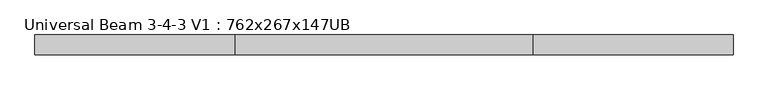
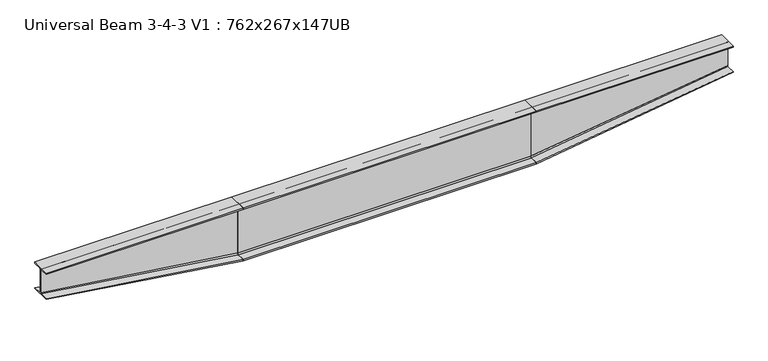
"""IFC4 building model written with IfcOpenShell, lengths in millimetres: beam geometry, Universal Beam 3-4-3 V1 : 762x267x147UB."""

from ifc_helpers import new_model, si_unit, point, frame, frame_2d, origin, place, context, project, spatial, polyline, circle_curve, trimmed, segment, composite_curve, outline, extrude, source, transform, mapped, element, save
from ifc_brep_helpers import plane_surface, extruded_surface, spline_surface, advanced_brep


def universal_beam_3_4_3_v1_762x267x147ub_689ef5f2(model_context):
    return source(origin(), model_context, "Body", "SolidModel", [
        extrude(outline(composite_curve([segment(polyline([(132.6, -363.5), (132.6, -381.0), (-132.6, -381.0), (-132.6, -363.5), (-22.9, -363.5)]), True, "CONTINUOUS"), segment(trimmed(circle_curve(frame_2d((-22.9, -347.0)), 16.5), [point((-22.9, -363.5))], [point((-6.4, -347.0))], True, "CARTESIAN"), True, "CONTINUOUS"), segment(polyline([(-6.4, -347.0), (-6.4, 347.0)]), True, "CONTINUOUS"), segment(trimmed(circle_curve(frame_2d((-22.9, 347.0)), 16.5), [point((-6.4, 347.0))], [point((-22.9, 363.5))], True, "CARTESIAN"), True, "CONTINUOUS"), segment(polyline([(-22.9, 363.5), (-132.6, 363.5), (-132.6, 381.0), (132.6, 381.0), (132.6, 363.5), (22.9, 363.5)]), True, "CONTINUOUS"), segment(trimmed(circle_curve(frame_2d((22.9, 347.0)), 16.5), [point((22.9, 363.5))], [point((6.4, 347.0))], True, "CARTESIAN"), True, "CONTINUOUS"), segment(polyline([(6.4, 347.0), (6.4, -347.0)]), True, "CONTINUOUS"), segment(trimmed(circle_curve(frame_2d((22.9, -347.0)), 16.5), [point((6.4, -347.0))], [point((22.9, -363.5))], True, "CARTESIAN"), True, "CONTINUOUS"), segment(polyline([(22.9, -363.5), (132.6, -363.5)]), True, "CONTINUOUS")], self_intersect=False)), frame((-1995.3899, 0.0, 0.0), z_axis=(1.0, 0.0, 0.0), x_axis=(0.0, 1.0, 0.0)), (0.0, 0.0, 1.0), 4000.0),
        advanced_brep(
        [(4693.6101, 132.6, 381.0), (4693.6101, -132.6, 381.0), (4693.6101, -132.6, 363.5), (4693.6101, -19.5, 363.5), (4693.6101, -3.0, 347.0), (4693.6101, -3.0, 19.1), (4693.6101, -11.9, 10.2), (4693.6101, -132.6, 10.2), (4693.6101, -132.6, 0.0), (4693.6101, 132.6, 0.0), (4693.6101, 132.6, 10.2), (4693.6101, 11.9, 10.2), (4693.6101, 3.0, 19.1), (4693.6101, 3.0, 347.0), (4693.6101, 19.5, 363.5), (4693.6101, 132.6, 363.5), (2004.6101, 132.6, 381.0), (2004.6101, 132.6, 363.5), (2004.6101, 22.9, 363.5), (2004.6101, 6.4, 347.0), (2004.6101, 6.4, -347.0), (2004.6101, 22.9, -363.5), (2004.6101, 132.6, -363.5), (2004.6101, 132.6, -381.0), (2004.6101, -132.6, -381.0), (2004.6101, -132.6, -363.5), (2004.6101, -22.9, -363.5), (2004.6101, -6.4, -347.0), (2004.6101, -6.4, 347.0), (2004.6101, -22.9, 363.5), (2004.6101, -132.6, 363.5), (2004.6101, -132.6, 381.0)],
        [
            (0, 1),
            (1, 2),
            (2, 3),
            (3, 4, circle_curve(frame((4693.6101, -19.5, 347.0), z_axis=(-1.0, 0.0, 0.0), x_axis=(0.0, 1.0, 0.0)), 16.5)),
            (4, 5),
            (5, 6, circle_curve(frame((4693.6101, -11.9, 19.1), z_axis=(-1.0, 0.0, 0.0), x_axis=(0.0, 1.0, 0.0)), 8.9)),
            (6, 7),
            (7, 8),
            (8, 9),
            (9, 10),
            (10, 11),
            (11, 12, circle_curve(frame((4693.6101, 11.9, 19.1), z_axis=(-1.0, 0.0, 0.0), x_axis=(0.0, 1.0, 0.0)), 8.9)),
            (12, 13),
            (13, 14, circle_curve(frame((4693.6101, 19.5, 347.0), z_axis=(-1.0, 0.0, 0.0), x_axis=(0.0, 1.0, 0.0)), 16.5)),
            (14, 15),
            (15, 0),
            (16, 17),
            (17, 18),
            (18, 19, circle_curve(frame((2004.6101, 22.9, 347.0), z_axis=(1.0, 0.0, 0.0), x_axis=(0.0, 1.0, 0.0)), 16.5)),
            (19, 20),
            (20, 21, circle_curve(frame((2004.6101, 22.9, -347.0), z_axis=(1.0, 0.0, 0.0), x_axis=(0.0, 1.0, 0.0)), 16.5)),
            (21, 22),
            (22, 23),
            (23, 24),
            (24, 25),
            (25, 26),
            (26, 27, circle_curve(frame((2004.6101, -22.9, -347.0), z_axis=(1.0, 0.0, 0.0), x_axis=(0.0, 1.0, 0.0)), 16.5)),
            (27, 28),
            (28, 29, circle_curve(frame((2004.6101, -22.9, 347.0), z_axis=(1.0, 0.0, 0.0), x_axis=(0.0, 1.0, 0.0)), 16.5)),
            (29, 30),
            (30, 31),
            (31, 16),
            (16, 0),
            (15, 17),
            (14, 18),
            (13, 19),
            (12, 20),
            (11, 21),
            (10, 22),
            (9, 23),
            (8, 24),
            (7, 25),
            (6, 26),
            (5, 27),
            (4, 28),
            (3, 29),
            (2, 30),
            (1, 31),
        ],
        [
            plane_surface(frame((4693.6101, 0.0, 186.8125), z_axis=(1.0, 0.0, 0.0), x_axis=(0.0, -1.0, 0.0))),
            plane_surface(frame((2004.6101, 0.0, 0.0), z_axis=(-1.0, 0.0, 0.0), x_axis=(0.0, -1.0, 0.0))),
            plane_surface(frame((2004.6101, 132.6, 372.25), z_axis=(0.0, 1.0, 0.0), x_axis=(0.0, 0.0, 1.0))),
            plane_surface(frame((2004.6101, 77.75, 363.5), z_axis=(0.0, 0.0, -1.0), x_axis=(0.0, 1.0, 0.0))),
            extruded_surface(trimmed(circle_curve(frame((2004.6101, 22.9, 347.0), z_axis=(-1.0, 0.0, 0.0), x_axis=(0.0, 1.0, 0.0)), 16.5), [point((2004.6101, 6.4, 347.0))], [point((2004.6101, 22.9, 363.5))], True, "CARTESIAN"), (2689.0, -3.3999999999999986, 0.0), 2689.0021494970956),
            plane_surface(frame((2004.6101, 6.4, 0.0), z_axis=(0.0012644095508288777, 0.9999992006339244, 0.0), x_axis=(0.0, 0.0, 1.0))),
            spline_surface(2, 1, [[(2004.6101, 22.9, -363.5), (4693.6101, 11.9, 10.2)], [(2004.6101, 6.399999999999999, -363.5), (4693.6101, 2.9999999999999982, 10.2)], [(2004.6101, 6.4, -347.0), (4693.6101, 3.0, 19.1)]], [3, 3], [2, 2], [0.0, 1.0], [0.0, 1.0], weights=[[1.0, 1.0], [0.7071067811865476, 0.7071067811865476], [1.0, 1.0]]),
            plane_surface(frame((2004.6101, 77.75, -363.5), z_axis=(-0.13765068387180815, 0.0, 0.9904808373863795), x_axis=(0.0, -1.0, 0.0))),
            plane_surface(frame((2004.6101, 132.6, -372.25), z_axis=(0.0, 1.0, 0.0), x_axis=(0.0, 0.0, 1.0))),
            plane_surface(frame((2004.6101, 0.0, -381.0), z_axis=(0.1402871833204853, 0.0, -0.9901108555086167), x_axis=(0.0, 1.0, 0.0))),
            plane_surface(frame((2004.6101, -132.6, -372.25), z_axis=(0.0, -1.0, 0.0), x_axis=(0.0, 0.0, -1.0))),
            plane_surface(frame((2004.6101, -77.75, -363.5), z_axis=(-0.13765068387180812, 0.0, 0.9904808373863795), x_axis=(0.0, -1.0, 0.0))),
            spline_surface(2, 1, [[(2004.6101, -6.4, -347.0), (4693.6101, -3.0, 19.1)], [(2004.6101, -6.399999999999999, -363.5), (4693.6101, -3.0, 10.200000000000001)], [(2004.6101, -22.9, -363.5), (4693.6101, -11.9, 10.2)]], [3, 3], [2, 2], [0.0, 1.0], [0.0, 1.0], weights=[[1.0, 1.0], [0.7071067811865476, 0.7071067811865476], [1.0, 1.0]]),
            plane_surface(frame((2004.6101, -6.4, 0.0), z_axis=(0.0012644095508113926, -0.9999992006339244, 0.0), x_axis=(0.0, 0.0, -1.0))),
            extruded_surface(trimmed(circle_curve(frame((2004.6101, -22.9, 347.0), z_axis=(-1.0, 0.0, 0.0), x_axis=(0.0, 1.0, 0.0)), 16.5), [point((2004.6101, -22.9, 363.5))], [point((2004.6101, -6.4, 347.0))], True, "CARTESIAN"), (2689.0, 3.3999999999999986, 0.0), 2689.0021494970956),
            plane_surface(frame((2004.6101, -77.75, 363.5), z_axis=(0.0, 0.0, -1.0), x_axis=(0.0, 1.0, 0.0))),
            plane_surface(frame((2004.6101, -132.6, 372.25), z_axis=(0.0, -1.0, 0.0), x_axis=(0.0, 0.0, -1.0))),
            plane_surface(frame((2004.6101, 0.0, 381.0), z_axis=(0.0, 0.0, 1.0), x_axis=(0.0, -1.0, 0.0))),
        ],
        [
            (0, [[1, 2, 3, 4, 5, 6, 7, 8, 9, 10, 11, 12, 13, 14, 15, 16]]),
            (1, [[17, 18, 19, 20, 21, 22, 23, 24, 25, 26, 27, 28, 29, 30, 31, 32]]),
            (2, [[-17, 33, -16, 34]]),
            (3, [[-18, -34, -15, 35]]),
            (4, [[-19, -35, -14, 36]]),
            (5, [[-20, -36, -13, 37]]),
            (6, [[-21, -37, -12, 38]]),
            (7, [[-22, -38, -11, 39]]),
            (8, [[-23, -39, -10, 40]]),
            (9, [[-24, -40, -9, 41]]),
            (10, [[-25, -41, -8, 42]]),
            (11, [[-26, -42, -7, 43]]),
            (12, [[-27, -43, -6, 44]]),
            (13, [[-28, -44, -5, 45]]),
            (14, [[-29, -45, -4, 46]]),
            (15, [[-30, -46, -3, 47]]),
            (16, [[-31, -47, -2, 48]]),
            (17, [[-32, -48, -1, -33]]),
        ],
    ),
        advanced_brep(
        [(-4684.3899, 132.6, 381.0), (-4684.3899, 132.6, 363.5), (-4684.3899, 19.5, 363.5), (-4684.3899, 3.0, 347.0), (-4684.3899, 3.0, 19.1), (-4684.3899, 11.9, 10.2), (-4684.3899, 132.6, 10.2), (-4684.3899, 132.6, 0.0), (-4684.3899, -132.6, 0.0), (-4684.3899, -132.6, 10.2), (-4684.3899, -11.9, 10.2), (-4684.3899, -3.0, 19.1), (-4684.3899, -3.0, 347.0), (-4684.3899, -19.5, 363.5), (-4684.3899, -132.6, 363.5), (-4684.3899, -132.6, 381.0), (-1995.3899, 132.6, 381.0), (-1995.3899, -132.6, 381.0), (-1995.3899, -132.6, 363.5), (-1995.3899, -22.9, 363.5), (-1995.3899, -6.4, 347.0), (-1995.3899, -6.4, -347.0), (-1995.3899, -22.9, -363.5), (-1995.3899, -132.6, -363.5), (-1995.3899, -132.6, -381.0), (-1995.3899, 132.6, -381.0), (-1995.3899, 132.6, -363.5), (-1995.3899, 22.9, -363.5), (-1995.3899, 6.4, -347.0), (-1995.3899, 6.4, 347.0), (-1995.3899, 22.9, 363.5), (-1995.3899, 132.6, 363.5)],
        [
            (0, 1),
            (1, 2),
            (2, 3, circle_curve(frame((-4684.3899, 19.5, 347.0), z_axis=(1.0, 0.0, 0.0), x_axis=(0.0, -1.0, 0.0)), 16.5)),
            (3, 4),
            (4, 5, circle_curve(frame((-4684.3899, 11.9, 19.1), z_axis=(1.0, 0.0, 0.0), x_axis=(0.0, -1.0, 0.0)), 8.9)),
            (5, 6),
            (6, 7),
            (7, 8),
            (8, 9),
            (9, 10),
            (10, 11, circle_curve(frame((-4684.3899, -11.9, 19.1), z_axis=(1.0, 0.0, 0.0), x_axis=(0.0, -1.0, 0.0)), 8.9)),
            (11, 12),
            (12, 13, circle_curve(frame((-4684.3899, -19.5, 347.0), z_axis=(1.0, 0.0, 0.0), x_axis=(0.0, -1.0, 0.0)), 16.5)),
            (13, 14),
            (14, 15),
            (15, 0),
            (16, 17),
            (17, 18),
            (18, 19),
            (19, 20, circle_curve(frame((-1995.3899, -22.9, 347.0), z_axis=(-1.0, 0.0, 0.0), x_axis=(0.0, -1.0, 0.0)), 16.5)),
            (20, 21),
            (21, 22, circle_curve(frame((-1995.3899, -22.9, -347.0), z_axis=(-1.0, 0.0, 0.0), x_axis=(0.0, -1.0, 0.0)), 16.5)),
            (22, 23),
            (23, 24),
            (24, 25),
            (25, 26),
            (26, 27),
            (27, 28, circle_curve(frame((-1995.3899, 22.9, -347.0), z_axis=(-1.0, 0.0, 0.0), x_axis=(0.0, -1.0, 0.0)), 16.5)),
            (28, 29),
            (29, 30, circle_curve(frame((-1995.3899, 22.9, 347.0), z_axis=(-1.0, 0.0, 0.0), x_axis=(0.0, -1.0, 0.0)), 16.5)),
            (30, 31),
            (31, 16),
            (31, 1),
            (0, 16),
            (30, 2),
            (29, 3),
            (28, 4),
            (27, 5),
            (26, 6),
            (25, 7),
            (24, 8),
            (23, 9),
            (22, 10),
            (21, 11),
            (20, 12),
            (19, 13),
            (18, 14),
            (17, 15),
        ],
        [
            plane_surface(frame((-4684.3899, 0.0, 186.8125), z_axis=(-1.0, 0.0, 0.0), x_axis=(0.0, 0.0, -1.0))),
            plane_surface(frame((-1995.3899, 0.0, 0.0), z_axis=(1.0, 0.0, 0.0), x_axis=(0.0, 0.0, -1.0))),
            plane_surface(frame((-1995.3899, 132.6, 372.25), z_axis=(0.0, 1.0, 0.0), x_axis=(0.0, 0.0, -1.0))),
            plane_surface(frame((-1995.3899, 77.75, 363.5), z_axis=(0.0, 0.0, -1.0), x_axis=(0.0, -1.0, 0.0))),
            extruded_surface(trimmed(circle_curve(frame((-1995.3899, 22.9, 347.0), z_axis=(1.0, 0.0, 0.0), x_axis=(0.0, -1.0, 0.0)), 16.5), [point((-1995.3899, 22.9, 363.5))], [point((-1995.3899, 6.4, 347.0))], True, "CARTESIAN"), (-2689.0, -3.3999999999999986, 0.0), 2689.0021494970956),
            plane_surface(frame((-1995.3899, 6.4, 0.0), z_axis=(-0.0012644095508288777, 0.9999992006339244, 0.0), x_axis=(0.0, 0.0, -1.0))),
            spline_surface(2, 1, [[(-1995.3899, 6.4, -347.0), (-4684.3899, 3.0, 19.1)], [(-1995.3899, 6.399999999999999, -363.5), (-4684.3899, 3.0, 10.200000000000001)], [(-1995.3899, 22.9, -363.5), (-4684.3899, 11.9, 10.2)]], [3, 3], [2, 2], [0.0, 1.0], [0.0, 1.0], weights=[[1.0, 1.0], [0.7071067811865476, 0.7071067811865476], [1.0, 1.0]]),
            plane_surface(frame((-1995.3899, 77.75, -363.5), z_axis=(0.13765068387180815, 0.0, 0.9904808373863795), x_axis=(0.0, 1.0, 0.0))),
            plane_surface(frame((-1995.3899, 132.6, -372.25), z_axis=(0.0, 1.0, 0.0), x_axis=(0.0, 0.0, -1.0))),
            plane_surface(frame((-1995.3899, 0.0, -381.0), z_axis=(-0.1402871833204853, 0.0, -0.9901108555086167), x_axis=(0.0, -1.0, 0.0))),
            plane_surface(frame((-1995.3899, -132.6, -372.25), z_axis=(0.0, -1.0, 0.0), x_axis=(0.0, 0.0, 1.0))),
            plane_surface(frame((-1995.3899, -77.75, -363.5), z_axis=(0.13765068387180812, 0.0, 0.9904808373863795), x_axis=(0.0, 1.0, 0.0))),
            spline_surface(2, 1, [[(-1995.3899, -22.9, -363.5), (-4684.3899, -11.9, 10.2)], [(-1995.3899, -6.399999999999999, -363.5), (-4684.3899, -2.9999999999999982, 10.2)], [(-1995.3899, -6.4, -347.0), (-4684.3899, -3.0, 19.1)]], [3, 3], [2, 2], [0.0, 1.0], [0.0, 1.0], weights=[[1.0, 1.0], [0.7071067811865476, 0.7071067811865476], [1.0, 1.0]]),
            plane_surface(frame((-1995.3899, -6.4, 0.0), z_axis=(-0.0012644095508113926, -0.9999992006339244, 0.0), x_axis=(0.0, 0.0, 1.0))),
            extruded_surface(trimmed(circle_curve(frame((-1995.3899, -22.9, 347.0), z_axis=(1.0, 0.0, 0.0), x_axis=(0.0, -1.0, 0.0)), 16.5), [point((-1995.3899, -6.4, 347.0))], [point((-1995.3899, -22.9, 363.5))], True, "CARTESIAN"), (-2689.0, 3.3999999999999986, 0.0), 2689.0021494970956),
            plane_surface(frame((-1995.3899, -77.75, 363.5), z_axis=(0.0, 0.0, -1.0), x_axis=(0.0, -1.0, 0.0))),
            plane_surface(frame((-1995.3899, -132.6, 372.25), z_axis=(0.0, -1.0, 0.0), x_axis=(0.0, 0.0, 1.0))),
            plane_surface(frame((-1995.3899, 0.0, 381.0), z_axis=(0.0, 0.0, 1.0), x_axis=(0.0, 1.0, 0.0))),
        ],
        [
            (0, [[1, 2, 3, 4, 5, 6, 7, 8, 9, 10, 11, 12, 13, 14, 15, 16]]),
            (1, [[17, 18, 19, 20, 21, 22, 23, 24, 25, 26, 27, 28, 29, 30, 31, 32]]),
            (2, [[-32, 33, -1, 34]]),
            (3, [[-31, 35, -2, -33]]),
            (4, [[-30, 36, -3, -35]]),
            (5, [[-29, 37, -4, -36]]),
            (6, [[-28, 38, -5, -37]]),
            (7, [[-27, 39, -6, -38]]),
            (8, [[-26, 40, -7, -39]]),
            (9, [[-25, 41, -8, -40]]),
            (10, [[-24, 42, -9, -41]]),
            (11, [[-23, 43, -10, -42]]),
            (12, [[-22, 44, -11, -43]]),
            (13, [[-21, 45, -12, -44]]),
            (14, [[-20, 46, -13, -45]]),
            (15, [[-19, 47, -14, -46]]),
            (16, [[-18, 48, -15, -47]]),
            (17, [[-17, -34, -16, -48]]),
        ],
    ),
    ])


if __name__ == "__main__":
    model = new_model("IFC4")
    model_context = context("Model", 3, world=origin())
    ifc_project = project(units=[si_unit("LENGTHUNIT", "METRE", prefix="MILLI")], contexts=[model_context])
    site = spatial("IfcSite", under=ifc_project)
    building = spatial("IfcBuilding", under=site)
    placement = place(None, origin())
    universal_beam_3_4_3_v1_762x267x147ub_shape = universal_beam_3_4_3_v1_762x267x147ub_689ef5f2(model_context)
    element("IfcBeam", 1, ObjectType="Universal Beam 3-4-3 V1 : 762x267x147UB", at=placement, inside=building, context=model_context, shape_type="MappedRepresentation", body=[
        mapped(universal_beam_3_4_3_v1_762x267x147ub_shape, transform((0.0, 0.0, 0.0), x_axis=(1.0, 0.0, 0.0), y_axis=(0.0, 1.0, 0.0), z_axis=(0.0, 0.0, 1.0))),
    ])
    save(model, "model.ifc")
